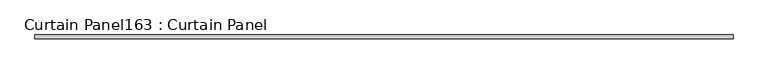
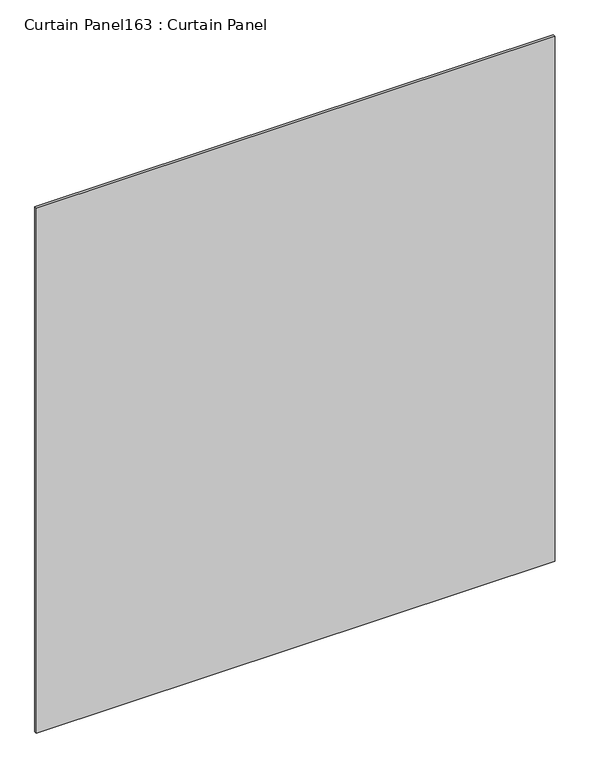
"""IFC4 building model written with IfcOpenShell, lengths in millimetres: plate geometry, Curtain Panel163 : Curtain Panel."""

from ifc_helpers import new_model, si_unit, frame, origin, place, context, project, spatial, polyline, outline, extrude, source, transform, mapped, element, save


def curtain_panel163_curtain_panel_1cf06b5c(model_context):
    return source(origin(), model_context, "Body", "SweptSolid", [
        extrude(outline(polyline([(450289.9898115, 2292.6839321), (445387.7898115, 2292.6839321), (445387.7898115, 2318.0839321), (450289.9898115, 2318.0839321), (450289.9898115, 2292.6839321)])), frame((0.0, 0.0, 15493.7176402), z_axis=(0.0, 0.0, 1.0), x_axis=(1.0, 0.0, 0.0)), (0.0, 0.0, 1.0), 5245.0609261),
    ])


if __name__ == "__main__":
    model = new_model("IFC4")
    model_context = context("Model", 3, world=origin())
    ifc_project = project(units=[si_unit("LENGTHUNIT", "METRE", prefix="MILLI")], contexts=[model_context])
    site = spatial("IfcSite", under=ifc_project)
    building = spatial("IfcBuilding", under=site)
    placement = place(None, origin())
    curtain_panel163_curtain_panel_shape = curtain_panel163_curtain_panel_1cf06b5c(model_context)
    element("IfcPlate", 1, ObjectType="Curtain Panel163 : Curtain Panel", at=placement, inside=building, context=model_context, shape_type="MappedRepresentation", body=[
        mapped(curtain_panel163_curtain_panel_shape, transform((0.0, 0.0, 0.0), x_axis=(1.0, 0.0, 0.0), y_axis=(0.0, 1.0, 0.0), z_axis=(0.0, 0.0, 1.0))),
    ])
    save(model, "model.ifc")
